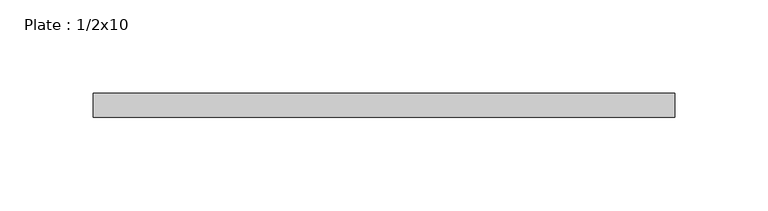
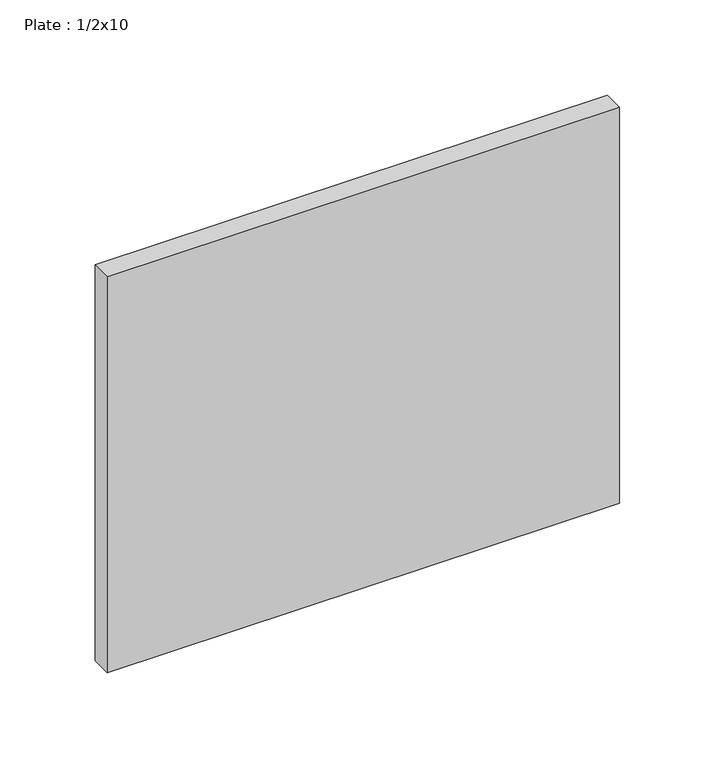
"""IFC4 building model written with IfcOpenShell, lengths in millimetres: beam geometry, Plate : 1/2x10."""

import ifcopenshell
import ifcopenshell.guid

model = None  # the IFC model being written
_history = None  # IfcOwnerHistory: only IFC2X3 demands one
_inside = {}  # id of a spatial element -> (the spatial element, [elements in it])
_under = {}  # id of a project, library or spatial element -> (it, [spatial elements below it])
_declared = {}  # id of a project -> (the project, [libraries it declares])
_typed = {}  # id of a type object -> (the type object, [elements of that type])
_made_of = {}  # id of a material, layer set ... -> (it, [elements and type objects made of it])


def new_model(schema):
    """Start an empty IFC model of exactly this schema.

    Asked for "IFC4X3", IfcOpenShell would pick the latest addendum, in which some entities
    have other attributes; the version numbers below select the first issue.
    IFC2X3 requires an IfcOwnerHistory on every rooted entity: one is made here for all.
    """
    global model, _history
    if schema == "IFC4X3":
        model = ifcopenshell.file(schema_version=(4, 3, 0, 0))
    else:
        model = ifcopenshell.file(schema=schema)
    _inside.clear()
    _under.clear()
    _declared.clear()
    _typed.clear()
    _made_of.clear()
    _history = None
    if model.schema == "IFC2X3":
        org = make("IfcOrganization", Name="unknown")
        user = make(
            "IfcPersonAndOrganization",
            ThePerson=make("IfcPerson", FamilyName="unknown"),
            TheOrganization=org,
        )
        app = make(
            "IfcApplication",
            ApplicationDeveloper=org,
            Version="unknown",
            ApplicationFullName="unknown",
            ApplicationIdentifier="unknown",
        )
        _history = make(
            "IfcOwnerHistory",
            OwningUser=user,
            OwningApplication=app,
            ChangeAction="ADDED",
            CreationDate=0,
        )
    return model


def make(cls, **values):
    """One entity of the class cls with the attributes given. An attribute that is None is left unset."""
    return model.create_entity(
        cls, **{name: value for name, value in values.items() if value is not None}
    )


def rooted(cls, **values):
    """An entity with a GlobalId (a new one), such as an element, a storey or a relation."""
    return make(cls, GlobalId=ifcopenshell.guid.new(), OwnerHistory=_history, **values)


def si_unit(unit_type, name, prefix=None):
    """IfcSIUnit, for example si_unit("LENGTHUNIT", "METRE", prefix="MILLI")."""
    return make("IfcSIUnit", UnitType=unit_type, Prefix=prefix, Name=name)


def assignment(units):
    """IfcUnitAssignment: the units of a project."""
    return None if units is None else make("IfcUnitAssignment", Units=units)


def point(xyz):
    """IfcCartesianPoint."""
    return None if xyz is None else make("IfcCartesianPoint", Coordinates=xyz)


def direction(xyz):
    """IfcDirection."""
    return None if xyz is None else make("IfcDirection", DirectionRatios=xyz)


def frame(location, z_axis=None, x_axis=None):
    """IfcAxis2Placement3D, a coordinate frame: its origin and axes. An axis left out is left unset."""
    return make(
        "IfcAxis2Placement3D",
        Location=point(location),
        Axis=direction(z_axis),
        RefDirection=direction(x_axis),
    )


def origin():
    """The frame at (0, 0, 0) with its axes left unset."""
    return frame((0.0, 0.0, 0.0))


def place(relative_to, where):
    """IfcLocalPlacement: puts the frame where relative to a parent placement (None: the world)."""
    return make(
        "IfcLocalPlacement", PlacementRelTo=relative_to, RelativePlacement=where
    )


def context(
    kind, dimensions, precision=None, world=None, true_north=None, identifier=None
):
    """IfcGeometricRepresentationContext, for example the 3D "Model" context."""
    return make(
        "IfcGeometricRepresentationContext",
        ContextIdentifier=identifier,
        ContextType=kind,
        CoordinateSpaceDimension=dimensions,
        Precision=precision,
        WorldCoordinateSystem=world,
        TrueNorth=true_north,
    )


def project(units=None, contexts=None):
    """IfcProject with its units and contexts."""
    return rooted(
        "IfcProject",
        Name="project",
        RepresentationContexts=contexts,
        UnitsInContext=assignment(units),
    )


def spatial(cls, under=None, at=None, **own):
    """A site, building, storey or space (cls), placed at a placement, below another one or the project."""
    s = rooted(cls, ObjectPlacement=at, **own)
    if under is not None:
        _under.setdefault(under.id(), (under, []))[1].append(s)
    return s


def polyline(points):
    """IfcPolyline through the points."""
    return make("IfcPolyline", Points=[point(p) for p in points])


def outline(outer, holes=None, kind="AREA"):
    """IfcArbitraryClosedProfileDef: a profile drawn as a closed curve; with holes, ...WithVoids."""
    if holes is None:
        return make("IfcArbitraryClosedProfileDef", ProfileType=kind, OuterCurve=outer)
    return make(
        "IfcArbitraryProfileDefWithVoids",
        ProfileType=kind,
        OuterCurve=outer,
        InnerCurves=holes,
    )


def extrude(swept, where, along, depth):
    """IfcExtrudedAreaSolid: the profile swept, set in the frame where, extruded along a direction by depth."""
    return make(
        "IfcExtrudedAreaSolid",
        SweptArea=swept,
        Position=where,
        ExtrudedDirection=direction(along),
        Depth=depth,
    )


def shape(context_of_items, identifier, shape_type, items):
    """IfcShapeRepresentation: the items that make up one representation, for example the "Body"."""
    return make(
        "IfcShapeRepresentation",
        ContextOfItems=context_of_items,
        RepresentationIdentifier=identifier,
        RepresentationType=shape_type,
        Items=items,
    )


def source(mapping_origin, context_of_items, identifier, shape_type, items):
    """IfcRepresentationMap: a shape defined once, which mapped items show again and again."""
    return make(
        "IfcRepresentationMap",
        MappingOrigin=mapping_origin,
        MappedRepresentation=shape(context_of_items, identifier, shape_type, items),
    )


def transform(
    local_origin,
    x_axis=None,
    y_axis=None,
    z_axis=None,
    scale=None,
    scale2=None,
    scale3=None,
    uniform=True,
):
    """IfcCartesianTransformationOperator3D, or its non-uniform kind. x_axis, y_axis, z_axis: its Axis1, 2, 3."""
    if uniform:
        return make(
            "IfcCartesianTransformationOperator3D",
            Axis1=direction(x_axis),
            Axis2=direction(y_axis),
            LocalOrigin=point(local_origin),
            Scale=scale,
            Axis3=direction(z_axis),
        )
    return make(
        "IfcCartesianTransformationOperator3DnonUniform",
        Axis1=direction(x_axis),
        Axis2=direction(y_axis),
        LocalOrigin=point(local_origin),
        Scale=scale,
        Axis3=direction(z_axis),
        Scale2=scale2,
        Scale3=scale3,
    )


def mapped(mapping_source, mapping_target):
    """IfcMappedItem: shows the shape of a source again, moved by a transform."""
    return make(
        "IfcMappedItem", MappingSource=mapping_source, MappingTarget=mapping_target
    )


def made_of(thing, what):
    """Note that an element or type object is made of a material, layer set ...; save() writes the relation."""
    if what is not None:
        _made_of.setdefault(what.id(), (what, []))[1].append(thing)
    return thing


def element(
    cls,
    number,
    at=None,
    inside=None,
    cuts=None,
    type_object=None,
    material=None,
    context=None,
    identifier="Body",
    shape_type=None,
    held_by="IfcProductDefinitionShape",
    body=None,
    shapes=None,
    **own,
):
    """One element of the class cls, such as IfcWall. Its Tag is "e" and its number.

    at: its placement. inside: the storey or other place that contains it. cuts: it is an
    opening in that element (IfcRelVoidsElement). A single representation is given by context,
    identifier, shape_type and body (its items); several are given by shapes. held_by: the class
    of the entity that holds the representations. save() writes the other relations.
    """
    e = rooted(cls, Tag="e%d" % number, ObjectPlacement=at, **own)
    if body is not None:
        shapes = [shape(context, identifier, shape_type, body)]
    if shapes is not None:
        e.Representation = make(held_by, Representations=shapes)
    if inside is not None:
        _inside.setdefault(inside.id(), (inside, []))[1].append(e)
    if cuts is not None:
        rooted(
            "IfcRelVoidsElement", RelatingBuildingElement=cuts, RelatedOpeningElement=e
        )
    if type_object is not None:
        _typed.setdefault(type_object.id(), (type_object, []))[1].append(e)
    return made_of(e, material)


def aggregate(whole, parts):
    """IfcRelAggregates: a whole, such as a stair, and the parts it consists of."""
    return rooted("IfcRelAggregates", RelatingObject=whole, RelatedObjects=parts)


def save(model, path):
    """Write the relations noted so far, then the file.

    IfcRelAggregates (storeys below a building ...), IfcRelContainedInSpatialStructure (elements
    in a storey), IfcRelDefinesByType, IfcRelAssociatesMaterial and IfcRelDeclares: one each for
    every whole, place, type object, material and project.
    """
    for whole, parts in _under.values():
        aggregate(whole, parts)
    for where, things in _inside.values():
        rooted(
            "IfcRelContainedInSpatialStructure",
            RelatedElements=things,
            RelatingStructure=where,
        )
    for kind, things in _typed.values():
        rooted("IfcRelDefinesByType", RelatedObjects=things, RelatingType=kind)
    for what, things in _made_of.values():
        rooted("IfcRelAssociatesMaterial", RelatedObjects=things, RelatingMaterial=what)
    for by, libraries in _declared.values():
        rooted("IfcRelDeclares", RelatingContext=by, RelatedDefinitions=libraries)
    model.write(path)


def plate_1_2x10_93a06bea(model_context):
    return source(origin(), model_context, "Body", "SweptSolid", [
        extrude(outline(polyline([(155.5749994, 6.35), (155.5749994, -6.35), (-155.575, -6.35), (-155.575, 6.35), (155.5749994, 6.35)])), frame((0.0, 0.0, -127.0), z_axis=(0.0, 0.0, 1.0), x_axis=(1.0, 0.0, 0.0)), (0.0, 0.0, 1.0), 254.0),
    ])


if __name__ == "__main__":
    model = new_model("IFC4")
    model_context = context("Model", 3, world=origin())
    ifc_project = project(units=[si_unit("LENGTHUNIT", "METRE", prefix="MILLI")], contexts=[model_context])
    site = spatial("IfcSite", under=ifc_project)
    building = spatial("IfcBuilding", under=site)
    placement = place(None, origin())
    plate_1_2x10_shape = plate_1_2x10_93a06bea(model_context)
    element("IfcBeam", 1, ObjectType="Plate : 1/2x10", at=placement, inside=building, context=model_context, shape_type="MappedRepresentation", body=[
        mapped(plate_1_2x10_shape, transform((0.0, 0.0, 0.0), x_axis=(1.0, 0.0, 0.0), y_axis=(0.0, 1.0, 0.0), z_axis=(0.0, 0.0, 1.0))),
    ])
    save(model, "model.ifc")
